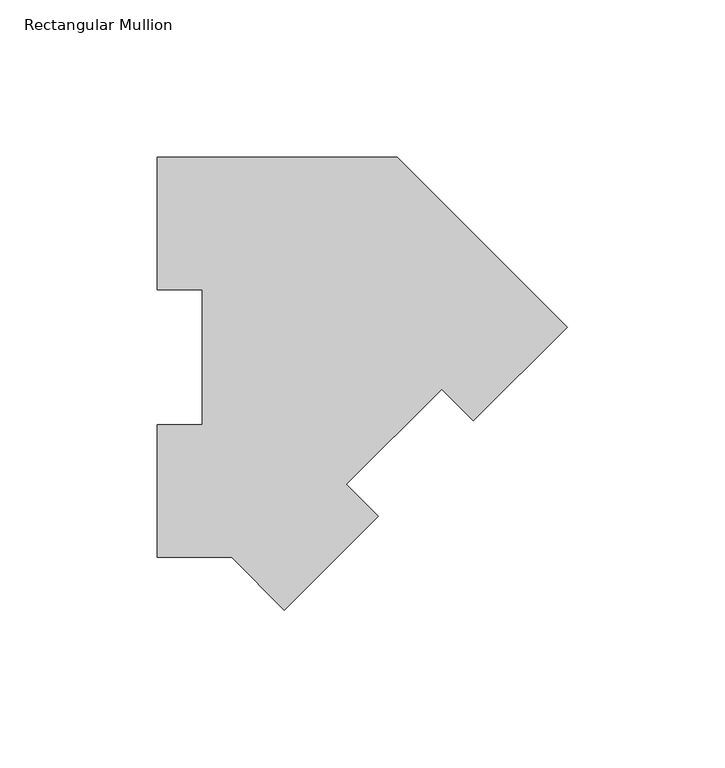
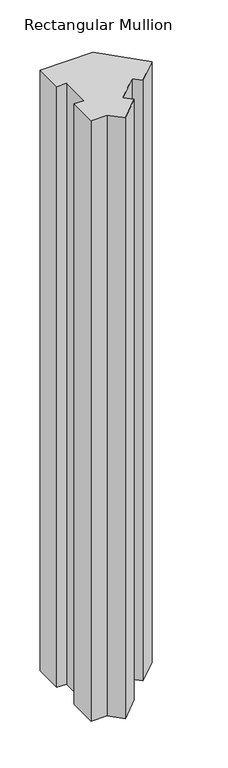
"""IFC4 building model written with IfcOpenShell, lengths in millimetres: member geometry, Rectangular Mullion."""

from ifc_helpers import new_model, si_unit, frame, origin, place, context, project, spatial, polyline, outline, extrude, source, transform, mapped, element, save


def rectangular_mullion_66e248f3(model_context):
    return source(origin(), model_context, "Body", "SweptSolid", [
        extrude(outline(polyline([(-130.0815367, 126.7086937), (-53.8815367, 126.7086937), (0.0, 72.827157), (-29.7515885, 43.0755685), (-39.8543767, 53.1783566), (-70.1537608, 22.8789725), (-60.0509727, 12.7761843), (-89.8025612, -16.9754042), (-106.4866591, -0.2913063), (-130.0815367, -0.2913063), (-130.0815367, 41.7837938), (-115.7940367, 41.7837938), (-115.7940367, 84.6335937), (-130.0815367, 84.6335937), (-130.0815367, 126.7086937)])), frame((0.0, 0.0, -914.4), z_axis=(0.0, 0.0, 1.0), x_axis=(1.0, 0.0, 0.0)), (0.0, 0.0, 1.0), 914.4),
    ])


if __name__ == "__main__":
    model = new_model("IFC4")
    model_context = context("Model", 3, world=origin())
    ifc_project = project(units=[si_unit("LENGTHUNIT", "METRE", prefix="MILLI")], contexts=[model_context])
    site = spatial("IfcSite", under=ifc_project)
    building = spatial("IfcBuilding", under=site)
    placement = place(None, origin())
    rectangular_mullion_shape = rectangular_mullion_66e248f3(model_context)
    element("IfcMember", 1, ObjectType="Rectangular Mullion", at=placement, inside=building, context=model_context, shape_type="MappedRepresentation", body=[
        mapped(rectangular_mullion_shape, transform((0.0, 0.0, 0.0), x_axis=(1.0, 0.0, 0.0), y_axis=(0.0, 1.0, 0.0), z_axis=(0.0, 0.0, 1.0))),
    ])
    save(model, "model.ifc")
